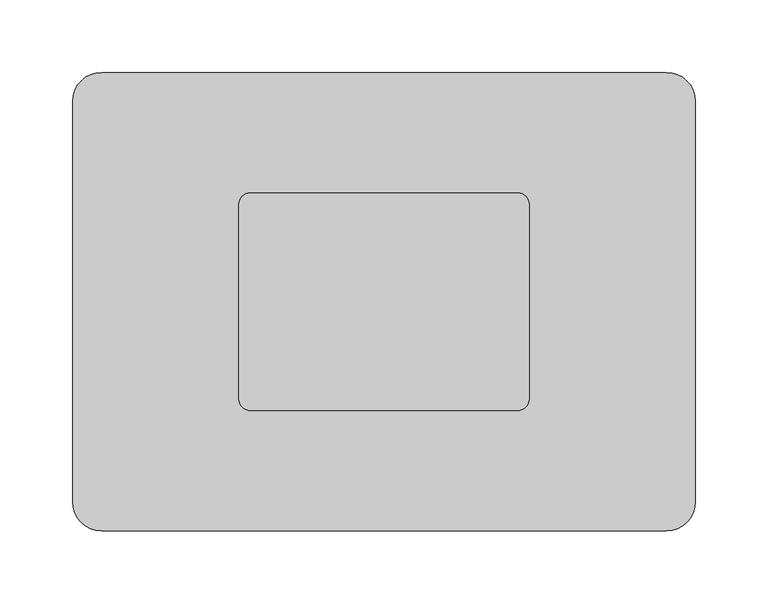
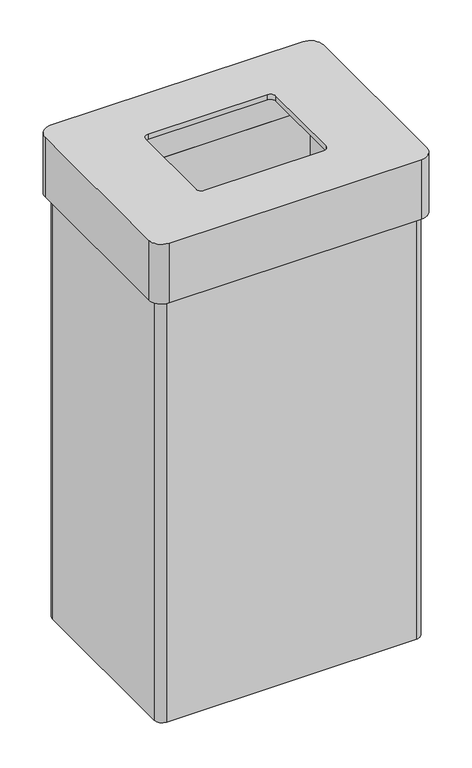
"""IFC4 building model written with IfcOpenShell, lengths in millimetres: furniture geometry."""

from ifc_helpers import new_model, si_unit, frame, origin, place, context, project, spatial, polyline, circle_curve, source, transform, mapped, element, save
from ifc_brep_helpers import plane_surface, cylinder_surface, revolved_surface, advanced_brep


def furniture_1813d32f(model_context):
    return source(origin(), model_context, "Body", "AdvancedBrep", [
        advanced_brep(
        [(192.5, 148.0, 689.0), (-192.5, 148.0, 689.0), (-204.5, 136.0, 689.0), (-204.5, -136.0, 689.0), (-192.5, -148.0, 689.0), (192.5, -148.0, 689.0), (204.5, -136.0, 689.0), (204.5, 136.0, 689.0), (194.5, 138.0, 689.0), (194.5, -138.0, 689.0), (-194.5, -138.0, 689.0), (-194.5, 138.0, 689.0), (192.5, 148.0, 0.0), (204.5, 136.0, 0.0), (204.5, -136.0, 0.0), (192.5, -148.0, 0.0), (-192.5, -148.0, 0.0), (-204.5, -136.0, 0.0), (-204.5, 136.0, 0.0), (-192.5, 148.0, 0.0), (194.5, 138.0, 8.0), (194.5, -138.0, 8.0), (-194.5, -138.0, 8.0), (-194.5, 138.0, 8.0)],
        [
            (0, 1),
            (1, 2, circle_curve(frame((-192.5, 136.0, 689.0), z_axis=(0.0, 0.0, 1.0), x_axis=(1.0, 0.0, 0.0)), 12.0)),
            (2, 3),
            (3, 4, circle_curve(frame((-192.5, -136.0, 689.0), z_axis=(0.0, 0.0, 1.0), x_axis=(1.0, 0.0, 0.0)), 12.0)),
            (4, 5),
            (5, 6, circle_curve(frame((192.5, -136.0, 689.0), z_axis=(0.0, 0.0, 1.0), x_axis=(1.0, 0.0, 0.0)), 12.0)),
            (6, 7),
            (7, 0, circle_curve(frame((192.5, 136.0, 689.0), z_axis=(0.0, 0.0, 1.0), x_axis=(1.0, 0.0, 0.0)), 12.0)),
            (8, 9),
            (9, 10),
            (10, 11),
            (11, 8),
            (12, 13, circle_curve(frame((192.5, 136.0, 0.0), z_axis=(0.0, 0.0, -1.0), x_axis=(1.0, 0.0, 0.0)), 12.0)),
            (13, 14),
            (14, 15, circle_curve(frame((192.5, -136.0, 0.0), z_axis=(0.0, 0.0, -1.0), x_axis=(1.0, 0.0, 0.0)), 12.0)),
            (15, 16),
            (16, 17, circle_curve(frame((-192.5, -136.0, 0.0), z_axis=(0.0, 0.0, -1.0), x_axis=(1.0, 0.0, 0.0)), 12.0)),
            (17, 18),
            (18, 19, circle_curve(frame((-192.5, 136.0, 0.0), z_axis=(0.0, 0.0, -1.0), x_axis=(1.0, 0.0, 0.0)), 12.0)),
            (19, 12),
            (8, 20),
            (20, 21),
            (21, 9),
            (21, 22),
            (22, 10),
            (22, 23),
            (23, 11),
            (23, 20),
            (0, 12),
            (19, 1),
            (18, 2),
            (17, 3),
            (16, 4),
            (15, 5),
            (14, 6),
            (13, 7),
        ],
        [
            plane_surface(frame((194.5, 138.0, 689.0), z_axis=(0.0, 0.0, 1.0), x_axis=(0.0, -1.0, 0.0))),
            plane_surface(frame((194.5, 138.0, 0.0), z_axis=(0.0, 0.0, -1.0), x_axis=(0.0, 1.0, 0.0))),
            plane_surface(frame((194.5, 138.0, 689.0), z_axis=(-1.0, 0.0, 0.0), x_axis=(0.0, 0.0, -1.0))),
            plane_surface(frame((194.5, -138.0, 689.0), z_axis=(0.0, 1.0, 0.0), x_axis=(0.0, 0.0, -1.0))),
            plane_surface(frame((-194.5, -138.0, 689.0), z_axis=(1.0, 0.0, 0.0), x_axis=(0.0, 0.0, -1.0))),
            plane_surface(frame((-194.5, 138.0, 689.0), z_axis=(0.0, -1.0, 0.0), x_axis=(0.0, 0.0, -1.0))),
            plane_surface(frame((192.5, 148.0, 689.0), z_axis=(0.0, 1.0, 0.0), x_axis=(0.0, 0.0, -1.0))),
            cylinder_surface(frame((-192.5, 136.0, 0.0), z_axis=(0.0, 0.0, 1.0), x_axis=(1.0, 0.0, 0.0)), 12.0),
            plane_surface(frame((-204.5, 136.0, 689.0), z_axis=(-1.0, 0.0, 0.0), x_axis=(0.0, 0.0, -1.0))),
            cylinder_surface(frame((-192.5, -136.0, 0.0), z_axis=(0.0, 0.0, 1.0), x_axis=(1.0, 0.0, 0.0)), 12.0),
            plane_surface(frame((-192.5, -148.0, 689.0), z_axis=(0.0, -1.0, 0.0), x_axis=(0.0, 0.0, -1.0))),
            cylinder_surface(frame((192.5, -136.0, 0.0), z_axis=(0.0, 0.0, 1.0), x_axis=(1.0, 0.0, 0.0)), 12.0),
            plane_surface(frame((204.5, -136.0, 689.0), z_axis=(1.0, 0.0, 0.0), x_axis=(0.0, 0.0, -1.0))),
            cylinder_surface(frame((192.5, 136.0, 0.0), z_axis=(0.0, 0.0, 1.0), x_axis=(1.0, 0.0, 0.0)), 12.0),
            plane_surface(frame((-194.5, 138.0, 8.0), z_axis=(0.0, 0.0, 1.0), x_axis=(-1.0, 0.0, 0.0))),
        ],
        [
            (0, [[1, 2, 3, 4, 5, 6, 7, 8], [9, 10, 11, 12]]),
            (1, [[13, 14, 15, 16, 17, 18, 19, 20]]),
            (2, [[-9, 21, 22, 23]]),
            (3, [[-10, -23, 24, 25]]),
            (4, [[-11, -25, 26, 27]]),
            (5, [[-12, -27, 28, -21]]),
            (6, [[-1, 29, -20, 30]]),
            (7, [[-2, -30, -19, 31]]),
            (8, [[-3, -31, -18, 32]]),
            (9, [[-4, -32, -17, 33]]),
            (10, [[-5, -33, -16, 34]]),
            (11, [[-6, -34, -15, 35]]),
            (12, [[-7, -35, -14, 36]]),
            (13, [[-8, -36, -13, -29]]),
            (14, [[-22, -28, -26, -24]]),
        ],
    ),
        advanced_brep(
        [(194.5, 158.0, 786.0), (-194.5, 158.0, 786.0), (-214.5, 138.0, 786.0), (-214.5, -138.0, 786.0), (-194.5, -158.0, 786.0), (194.5, -158.0, 786.0), (214.5, -138.0, 786.0), (214.5, 138.0, 786.0), (92.0, 75.0, 786.0), (100.0, 67.0, 786.0), (100.0, -67.0, 786.0), (92.0, -75.0, 786.0), (-92.0, -75.0, 786.0), (-100.0, -67.0, 786.0), (-100.0, 67.0, 786.0), (-92.0, 75.0, 786.0), (194.5, 138.0, 778.0), (194.5, -138.0, 778.0), (-194.5, -138.0, 778.0), (-194.5, 138.0, 778.0), (92.0, 75.0, 778.0), (-92.0, 75.0, 778.0), (-100.0, 67.0, 778.0), (-100.0, -67.0, 778.0), (-92.0, -75.0, 778.0), (92.0, -75.0, 778.0), (100.0, -67.0, 778.0), (100.0, 67.0, 778.0), (194.5, 158.0, 689.0), (214.5, 138.0, 689.0), (214.5, -138.0, 689.0), (194.5, -158.0, 689.0), (-194.5, -158.0, 689.0), (-214.5, -138.0, 689.0), (-214.5, 138.0, 689.0), (-194.5, 158.0, 689.0), (194.5, 138.0, 689.0), (-194.5, 138.0, 689.0), (-194.5, -138.0, 689.0), (194.5, -138.0, 689.0)],
        [
            (0, 1),
            (1, 2, circle_curve(frame((-194.5, 138.0, 786.0), z_axis=(0.0, 0.0, 1.0), x_axis=(1.0, 0.0, 0.0)), 20.0)),
            (2, 3),
            (3, 4, circle_curve(frame((-194.5, -138.0, 786.0), z_axis=(0.0, 0.0, 1.0), x_axis=(1.0, 0.0, 0.0)), 20.0)),
            (4, 5),
            (5, 6, circle_curve(frame((194.5, -138.0, 786.0), z_axis=(0.0, 0.0, 1.0), x_axis=(1.0, 0.0, 0.0)), 20.0)),
            (6, 7),
            (7, 0, circle_curve(frame((194.5, 138.0, 786.0), z_axis=(0.0, 0.0, 1.0), x_axis=(1.0, 0.0, 0.0)), 20.0)),
            (8, 9, circle_curve(frame((92.0, 67.0, 786.0), z_axis=(0.0, 0.0, -1.0), x_axis=(1.0, 0.0, 0.0)), 8.0)),
            (9, 10),
            (10, 11, circle_curve(frame((92.0, -67.0, 786.0), z_axis=(0.0, 0.0, -1.0), x_axis=(1.0, 0.0, 0.0)), 8.0)),
            (11, 12),
            (12, 13, circle_curve(frame((-92.0, -67.0, 786.0), z_axis=(0.0, 0.0, -1.0), x_axis=(1.0, 0.0, 0.0)), 8.0)),
            (13, 14),
            (14, 15, circle_curve(frame((-92.0, 67.0, 786.0), z_axis=(0.0, 0.0, -1.0), x_axis=(1.0, 0.0, 0.0)), 8.0)),
            (15, 8),
            (16, 17),
            (17, 18),
            (18, 19),
            (19, 16),
            (20, 21),
            (21, 22, circle_curve(frame((-92.0, 67.0, 778.0), z_axis=(0.0, 0.0, 1.0), x_axis=(1.0, 0.0, 0.0)), 8.0)),
            (22, 23),
            (23, 24, circle_curve(frame((-92.0, -67.0, 778.0), z_axis=(0.0, 0.0, 1.0), x_axis=(1.0, 0.0, 0.0)), 8.0)),
            (24, 25),
            (25, 26, circle_curve(frame((92.0, -67.0, 778.0), z_axis=(0.0, 0.0, 1.0), x_axis=(1.0, 0.0, 0.0)), 8.0)),
            (26, 27),
            (27, 20, circle_curve(frame((92.0, 67.0, 778.0), z_axis=(0.0, 0.0, 1.0), x_axis=(1.0, 0.0, 0.0)), 8.0)),
            (28, 29, circle_curve(frame((194.5, 138.0, 689.0), z_axis=(0.0, 0.0, -1.0), x_axis=(1.0, 0.0, 0.0)), 20.0)),
            (29, 30),
            (30, 31, circle_curve(frame((194.5, -138.0, 689.0), z_axis=(0.0, 0.0, -1.0), x_axis=(1.0, 0.0, 0.0)), 20.0)),
            (31, 32),
            (32, 33, circle_curve(frame((-194.5, -138.0, 689.0), z_axis=(0.0, 0.0, -1.0), x_axis=(1.0, 0.0, 0.0)), 20.0)),
            (33, 34),
            (34, 35, circle_curve(frame((-194.5, 138.0, 689.0), z_axis=(0.0, 0.0, -1.0), x_axis=(1.0, 0.0, 0.0)), 20.0)),
            (35, 28),
            (36, 37),
            (37, 38),
            (38, 39),
            (39, 36),
            (0, 28),
            (35, 1),
            (34, 2),
            (33, 3),
            (32, 4),
            (31, 5),
            (30, 6),
            (29, 7),
            (39, 17),
            (16, 36),
            (38, 18),
            (37, 19),
            (8, 20),
            (27, 9),
            (26, 10),
            (25, 11),
            (24, 12),
            (23, 13),
            (22, 14),
            (21, 15),
        ],
        [
            plane_surface(frame((-194.5, 138.0, 786.0), z_axis=(0.0, 0.0, 1.0), x_axis=(-1.0, 0.0, 0.0))),
            plane_surface(frame((-194.5, 138.0, 778.0), z_axis=(0.0, 0.0, -1.0), x_axis=(1.0, 0.0, 0.0))),
            plane_surface(frame((-194.5, 158.0, 689.0), z_axis=(0.0, 0.0, -1.0), x_axis=(1.0, 0.0, 0.0))),
            plane_surface(frame((194.5, 158.0, 786.0), z_axis=(0.0, 1.0, 0.0), x_axis=(0.0, 0.0, -1.0))),
            cylinder_surface(frame((-194.5, 138.0, 689.0), z_axis=(0.0, 0.0, 1.0), x_axis=(1.0, 0.0, 0.0)), 20.0),
            plane_surface(frame((-214.5, 138.0, 786.0), z_axis=(-1.0, 0.0, 0.0), x_axis=(0.0, 0.0, -1.0))),
            cylinder_surface(frame((-194.5, -138.0, 689.0), z_axis=(0.0, 0.0, 1.0), x_axis=(1.0, 0.0, 0.0)), 20.0),
            plane_surface(frame((-194.5, -158.0, 786.0), z_axis=(0.0, -1.0, 0.0), x_axis=(0.0, 0.0, -1.0))),
            cylinder_surface(frame((194.5, -138.0, 689.0), z_axis=(0.0, 0.0, 1.0), x_axis=(1.0, 0.0, 0.0)), 20.0),
            plane_surface(frame((214.5, -138.0, 786.0), z_axis=(1.0, 0.0, 0.0), x_axis=(0.0, 0.0, -1.0))),
            cylinder_surface(frame((194.5, 138.0, 689.0), z_axis=(0.0, 0.0, 1.0), x_axis=(1.0, 0.0, 0.0)), 20.0),
            plane_surface(frame((194.5, 138.0, 786.0), z_axis=(-1.0, 0.0, 0.0), x_axis=(0.0, 0.0, -1.0))),
            plane_surface(frame((194.5, -138.0, 786.0), z_axis=(0.0, 1.0, 0.0), x_axis=(0.0, 0.0, -1.0))),
            plane_surface(frame((-194.5, -138.0, 786.0), z_axis=(1.0, 0.0, 0.0), x_axis=(0.0, 0.0, -1.0))),
            plane_surface(frame((-194.5, 138.0, 786.0), z_axis=(0.0, -1.0, 0.0), x_axis=(0.0, 0.0, -1.0))),
            revolved_surface(polyline([(100.0, 67.0, 778.0), (100.0, 67.0, 786.0)]), (92.0, 67.0, 786.0), (0.0, 0.0, -1.0)),
            plane_surface(frame((100.0, 67.0, 786.0), z_axis=(-1.0, 0.0, 0.0), x_axis=(0.0, 0.0, -1.0))),
            revolved_surface(polyline([(100.0, -67.0, 778.0), (100.0, -67.0, 786.0)]), (92.0, -67.0, 786.0), (0.0, 0.0, -1.0)),
            plane_surface(frame((92.0, -75.0, 786.0), z_axis=(0.0, 1.0, 0.0), x_axis=(0.0, 0.0, -1.0))),
            revolved_surface(polyline([(-84.0, -67.0, 778.0), (-84.0, -67.0, 786.0)]), (-92.0, -67.0, 786.0), (0.0, 0.0, -1.0)),
            plane_surface(frame((-100.0, -67.0, 786.0), z_axis=(1.0, 0.0, 0.0), x_axis=(0.0, 0.0, -1.0))),
            revolved_surface(polyline([(-84.0, 67.0, 778.0), (-84.0, 67.0, 786.0)]), (-92.0, 67.0, 786.0), (0.0, 0.0, -1.0)),
            plane_surface(frame((-92.0, 75.0, 786.0), z_axis=(0.0, -1.0, 0.0), x_axis=(0.0, 0.0, -1.0))),
        ],
        [
            (0, [[1, 2, 3, 4, 5, 6, 7, 8], [9, 10, 11, 12, 13, 14, 15, 16]]),
            (1, [[17, 18, 19, 20], [21, 22, 23, 24, 25, 26, 27, 28]]),
            (2, [[29, 30, 31, 32, 33, 34, 35, 36], [37, 38, 39, 40]]),
            (3, [[-1, 41, -36, 42]]),
            (4, [[-2, -42, -35, 43]]),
            (5, [[-3, -43, -34, 44]]),
            (6, [[-4, -44, -33, 45]]),
            (7, [[-5, -45, -32, 46]]),
            (8, [[-6, -46, -31, 47]]),
            (9, [[-7, -47, -30, 48]]),
            (10, [[-8, -48, -29, -41]]),
            (11, [[-40, 49, -17, 50]]),
            (12, [[-39, 51, -18, -49]]),
            (13, [[-38, 52, -19, -51]]),
            (14, [[-37, -50, -20, -52]]),
            (15, [[-9, 53, -28, 54]]),
            (16, [[-10, -54, -27, 55]]),
            (17, [[-11, -55, -26, 56]]),
            (18, [[-12, -56, -25, 57]]),
            (19, [[-13, -57, -24, 58]]),
            (20, [[-14, -58, -23, 59]]),
            (21, [[-15, -59, -22, 60]]),
            (22, [[-16, -60, -21, -53]]),
        ],
    ),
    ])


if __name__ == "__main__":
    model = new_model("IFC4")
    model_context = context("Model", 3, world=origin())
    ifc_project = project(units=[si_unit("LENGTHUNIT", "METRE", prefix="MILLI")], contexts=[model_context])
    site = spatial("IfcSite", under=ifc_project)
    building = spatial("IfcBuilding", under=site)
    placement = place(None, origin())
    furniture_shape = furniture_1813d32f(model_context)
    element("IfcFurniture", 1, at=placement, inside=building, context=model_context, shape_type="MappedRepresentation", body=[
        mapped(furniture_shape, transform((0.0, 0.0, 0.0), x_axis=(1.0, 0.0, 0.0), y_axis=(0.0, 1.0, 0.0), z_axis=(0.0, 0.0, 1.0))),
    ])
    save(model, "model.ifc")
